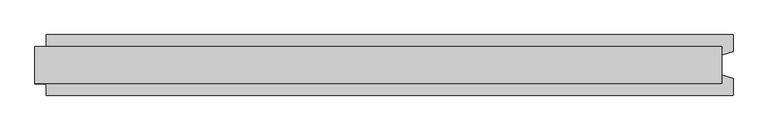
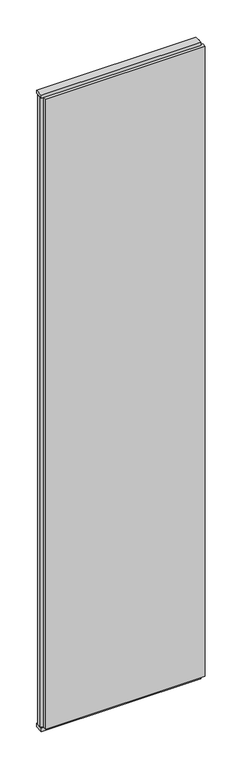
"""IFC4 building model written with IfcOpenShell, lengths in millimetres: plate geometry."""

import ifcopenshell
import ifcopenshell.guid

model = None  # the IFC model being written
_history = None  # IfcOwnerHistory: only IFC2X3 demands one
_inside = {}  # id of a spatial element -> (the spatial element, [elements in it])
_under = {}  # id of a project, library or spatial element -> (it, [spatial elements below it])
_declared = {}  # id of a project -> (the project, [libraries it declares])
_typed = {}  # id of a type object -> (the type object, [elements of that type])
_made_of = {}  # id of a material, layer set ... -> (it, [elements and type objects made of it])


def new_model(schema):
    """Start an empty IFC model of exactly this schema.

    Asked for "IFC4X3", IfcOpenShell would pick the latest addendum, in which some entities
    have other attributes; the version numbers below select the first issue.
    IFC2X3 requires an IfcOwnerHistory on every rooted entity: one is made here for all.
    """
    global model, _history
    if schema == "IFC4X3":
        model = ifcopenshell.file(schema_version=(4, 3, 0, 0))
    else:
        model = ifcopenshell.file(schema=schema)
    _inside.clear()
    _under.clear()
    _declared.clear()
    _typed.clear()
    _made_of.clear()
    _history = None
    if model.schema == "IFC2X3":
        org = make("IfcOrganization", Name="unknown")
        user = make(
            "IfcPersonAndOrganization",
            ThePerson=make("IfcPerson", FamilyName="unknown"),
            TheOrganization=org,
        )
        app = make(
            "IfcApplication",
            ApplicationDeveloper=org,
            Version="unknown",
            ApplicationFullName="unknown",
            ApplicationIdentifier="unknown",
        )
        _history = make(
            "IfcOwnerHistory",
            OwningUser=user,
            OwningApplication=app,
            ChangeAction="ADDED",
            CreationDate=0,
        )
    return model


def make(cls, **values):
    """One entity of the class cls with the attributes given. An attribute that is None is left unset."""
    return model.create_entity(
        cls, **{name: value for name, value in values.items() if value is not None}
    )


def rooted(cls, **values):
    """An entity with a GlobalId (a new one), such as an element, a storey or a relation."""
    return make(cls, GlobalId=ifcopenshell.guid.new(), OwnerHistory=_history, **values)


def si_unit(unit_type, name, prefix=None):
    """IfcSIUnit, for example si_unit("LENGTHUNIT", "METRE", prefix="MILLI")."""
    return make("IfcSIUnit", UnitType=unit_type, Prefix=prefix, Name=name)


def assignment(units):
    """IfcUnitAssignment: the units of a project."""
    return None if units is None else make("IfcUnitAssignment", Units=units)


def point(xyz):
    """IfcCartesianPoint."""
    return None if xyz is None else make("IfcCartesianPoint", Coordinates=xyz)


def direction(xyz):
    """IfcDirection."""
    return None if xyz is None else make("IfcDirection", DirectionRatios=xyz)


def frame(location, z_axis=None, x_axis=None):
    """IfcAxis2Placement3D, a coordinate frame: its origin and axes. An axis left out is left unset."""
    return make(
        "IfcAxis2Placement3D",
        Location=point(location),
        Axis=direction(z_axis),
        RefDirection=direction(x_axis),
    )


def origin():
    """The frame at (0, 0, 0) with its axes left unset."""
    return frame((0.0, 0.0, 0.0))


def origin_with_axes():
    """The frame at (0, 0, 0) with the z axis (0, 0, 1) and the x axis (1, 0, 0) written out."""
    return frame((0.0, 0.0, 0.0), z_axis=(0.0, 0.0, 1.0), x_axis=(1.0, 0.0, 0.0))


def place(relative_to, where):
    """IfcLocalPlacement: puts the frame where relative to a parent placement (None: the world)."""
    return make(
        "IfcLocalPlacement", PlacementRelTo=relative_to, RelativePlacement=where
    )


def context(
    kind, dimensions, precision=None, world=None, true_north=None, identifier=None
):
    """IfcGeometricRepresentationContext, for example the 3D "Model" context."""
    return make(
        "IfcGeometricRepresentationContext",
        ContextIdentifier=identifier,
        ContextType=kind,
        CoordinateSpaceDimension=dimensions,
        Precision=precision,
        WorldCoordinateSystem=world,
        TrueNorth=true_north,
    )


def project(units=None, contexts=None):
    """IfcProject with its units and contexts."""
    return rooted(
        "IfcProject",
        Name="project",
        RepresentationContexts=contexts,
        UnitsInContext=assignment(units),
    )


def spatial(cls, under=None, at=None, **own):
    """A site, building, storey or space (cls), placed at a placement, below another one or the project."""
    s = rooted(cls, ObjectPlacement=at, **own)
    if under is not None:
        _under.setdefault(under.id(), (under, []))[1].append(s)
    return s


def polyline(points):
    """IfcPolyline through the points."""
    return make("IfcPolyline", Points=[point(p) for p in points])


def outline(outer, holes=None, kind="AREA"):
    """IfcArbitraryClosedProfileDef: a profile drawn as a closed curve; with holes, ...WithVoids."""
    if holes is None:
        return make("IfcArbitraryClosedProfileDef", ProfileType=kind, OuterCurve=outer)
    return make(
        "IfcArbitraryProfileDefWithVoids",
        ProfileType=kind,
        OuterCurve=outer,
        InnerCurves=holes,
    )


def extrude(swept, where, along, depth):
    """IfcExtrudedAreaSolid: the profile swept, set in the frame where, extruded along a direction by depth."""
    return make(
        "IfcExtrudedAreaSolid",
        SweptArea=swept,
        Position=where,
        ExtrudedDirection=direction(along),
        Depth=depth,
    )


def shape(context_of_items, identifier, shape_type, items):
    """IfcShapeRepresentation: the items that make up one representation, for example the "Body"."""
    return make(
        "IfcShapeRepresentation",
        ContextOfItems=context_of_items,
        RepresentationIdentifier=identifier,
        RepresentationType=shape_type,
        Items=items,
    )


def source(mapping_origin, context_of_items, identifier, shape_type, items):
    """IfcRepresentationMap: a shape defined once, which mapped items show again and again."""
    return make(
        "IfcRepresentationMap",
        MappingOrigin=mapping_origin,
        MappedRepresentation=shape(context_of_items, identifier, shape_type, items),
    )


def transform(
    local_origin,
    x_axis=None,
    y_axis=None,
    z_axis=None,
    scale=None,
    scale2=None,
    scale3=None,
    uniform=True,
):
    """IfcCartesianTransformationOperator3D, or its non-uniform kind. x_axis, y_axis, z_axis: its Axis1, 2, 3."""
    if uniform:
        return make(
            "IfcCartesianTransformationOperator3D",
            Axis1=direction(x_axis),
            Axis2=direction(y_axis),
            LocalOrigin=point(local_origin),
            Scale=scale,
            Axis3=direction(z_axis),
        )
    return make(
        "IfcCartesianTransformationOperator3DnonUniform",
        Axis1=direction(x_axis),
        Axis2=direction(y_axis),
        LocalOrigin=point(local_origin),
        Scale=scale,
        Axis3=direction(z_axis),
        Scale2=scale2,
        Scale3=scale3,
    )


def mapped(mapping_source, mapping_target):
    """IfcMappedItem: shows the shape of a source again, moved by a transform."""
    return make(
        "IfcMappedItem", MappingSource=mapping_source, MappingTarget=mapping_target
    )


def made_of(thing, what):
    """Note that an element or type object is made of a material, layer set ...; save() writes the relation."""
    if what is not None:
        _made_of.setdefault(what.id(), (what, []))[1].append(thing)
    return thing


def element(
    cls,
    number,
    at=None,
    inside=None,
    cuts=None,
    type_object=None,
    material=None,
    context=None,
    identifier="Body",
    shape_type=None,
    held_by="IfcProductDefinitionShape",
    body=None,
    shapes=None,
    **own,
):
    """One element of the class cls, such as IfcWall. Its Tag is "e" and its number.

    at: its placement. inside: the storey or other place that contains it. cuts: it is an
    opening in that element (IfcRelVoidsElement). A single representation is given by context,
    identifier, shape_type and body (its items); several are given by shapes. held_by: the class
    of the entity that holds the representations. save() writes the other relations.
    """
    e = rooted(cls, Tag="e%d" % number, ObjectPlacement=at, **own)
    if body is not None:
        shapes = [shape(context, identifier, shape_type, body)]
    if shapes is not None:
        e.Representation = make(held_by, Representations=shapes)
    if inside is not None:
        _inside.setdefault(inside.id(), (inside, []))[1].append(e)
    if cuts is not None:
        rooted(
            "IfcRelVoidsElement", RelatingBuildingElement=cuts, RelatedOpeningElement=e
        )
    if type_object is not None:
        _typed.setdefault(type_object.id(), (type_object, []))[1].append(e)
    return made_of(e, material)


def aggregate(whole, parts):
    """IfcRelAggregates: a whole, such as a stair, and the parts it consists of."""
    return rooted("IfcRelAggregates", RelatingObject=whole, RelatedObjects=parts)


def save(model, path):
    """Write the relations noted so far, then the file.

    IfcRelAggregates (storeys below a building ...), IfcRelContainedInSpatialStructure (elements
    in a storey), IfcRelDefinesByType, IfcRelAssociatesMaterial and IfcRelDeclares: one each for
    every whole, place, type object, material and project.
    """
    for whole, parts in _under.values():
        aggregate(whole, parts)
    for where, things in _inside.values():
        rooted(
            "IfcRelContainedInSpatialStructure",
            RelatedElements=things,
            RelatingStructure=where,
        )
    for kind, things in _typed.values():
        rooted("IfcRelDefinesByType", RelatedObjects=things, RelatingType=kind)
    for what, things in _made_of.values():
        rooted("IfcRelAssociatesMaterial", RelatedObjects=things, RelatingMaterial=what)
    for by, libraries in _declared.values():
        rooted("IfcRelDeclares", RelatingContext=by, RelatedDefinitions=libraries)
    model.write(path)


def plate_d627b9ac(model_context):
    return source(origin(), model_context, "Body", "SweptSolid", [
        extrude(outline(polyline([(613.5, 52.5), (613.5, 22.9993165), (593.5, 17.6401049), (593.5, -17.6401049), (613.5, -22.9993165), (613.5, -52.5), (-573.5, -52.5), (-573.5, -22.9993165), (-593.5, -17.6401049), (-593.5, 17.6401049), (-573.5, 22.9993165), (-573.5, 52.5), (613.5, 52.5)])), frame((0.0, 0.0, 25.0), z_axis=(0.0, 0.0, 1.0), x_axis=(1.0, 0.0, 0.0)), (0.0, 0.0, 1.0), 4950.0),
        extrude(outline(polyline([(593.5, 32.0), (593.5, -32.0), (-593.5, -32.0), (-593.5, 32.0), (593.5, 32.0)])), origin_with_axes(), (0.0, 0.0, 1.0), 25.0),
        extrude(outline(polyline([(593.5, 32.0), (593.5, -32.0), (-593.5, -32.0), (-593.5, 32.0), (593.5, 32.0)])), frame((0.0, 0.0, 4975.0), z_axis=(0.0, 0.0, 1.0), x_axis=(1.0, 0.0, 0.0)), (0.0, 0.0, 1.0), 25.0),
    ])


if __name__ == "__main__":
    model = new_model("IFC4")
    model_context = context("Model", 3, world=origin())
    ifc_project = project(units=[si_unit("LENGTHUNIT", "METRE", prefix="MILLI")], contexts=[model_context])
    site = spatial("IfcSite", under=ifc_project)
    building = spatial("IfcBuilding", under=site)
    placement = place(None, origin())
    plate_shape = plate_d627b9ac(model_context)
    element("IfcPlate", 1, at=placement, inside=building, context=model_context, shape_type="MappedRepresentation", body=[
        mapped(plate_shape, transform((0.0, 0.0, 0.0), x_axis=(1.0, 0.0, 0.0), y_axis=(0.0, 1.0, 0.0), z_axis=(0.0, 0.0, 1.0))),
    ])
    save(model, "model.ifc")
